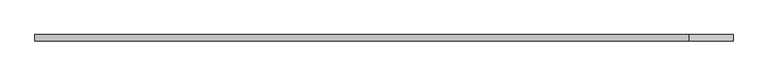
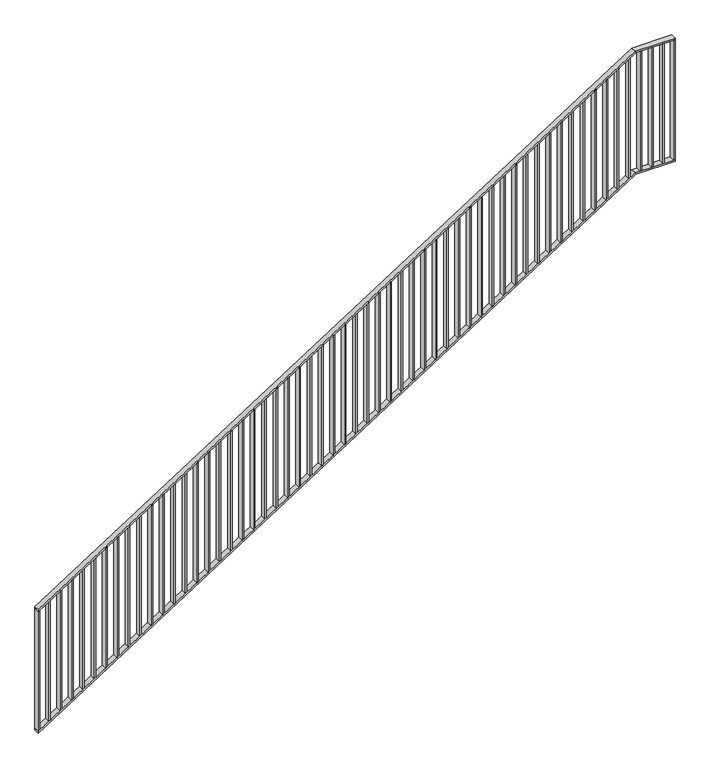
"""IFC4 building model written with IfcOpenShell, lengths in millimetres: railing geometry."""

from ifc_helpers import new_model, si_unit, frame, origin, place, context, project, spatial, polyline, outline, extrude, faceted_brep, source, transform, mapped, element, save


def railing_0b840fa6(model_context):
    return source(origin(), model_context, "Body", "SolidModel", [
        faceted_brep([(50020.0, -14.6, 1178.125), (50020.0, 25.4, 1178.125), (50020.0, 25.4, 1166.2576574), (50020.0, -14.6, 1166.2576574), (54201.25, -14.6, 3850.0), (54201.25, 25.4, 3850.0), (54204.1722273, 25.4, 3840.0), (54204.1722273, -14.6, 3840.0), (54480.0, -14.6, 3850.0), (54480.0, -14.6, 3840.0), (54480.0, 25.4, 3840.0), (54480.0, 25.4, 3850.0)], [[[0, 1, 2, 3]], [[1, 0, 4, 5]], [[2, 1, 5, 6]], [[3, 2, 6, 7]], [[0, 3, 7, 4]], [[8, 9, 10, 11]], [[5, 4, 8, 11]], [[6, 5, 11, 10]], [[7, 6, 10, 9]], [[4, 7, 9, 8]]]),
        faceted_brep([(50020.0, -14.6, 278.125), (50020.0, 25.4, 278.125), (50020.0, 25.4, 266.2576574), (50020.0, -14.6, 266.2576574), (54201.25, -14.6, 2950.0), (54201.25, 25.4, 2950.0), (54204.1722273, 25.4, 2940.0), (54204.1722273, -14.6, 2940.0), (54480.0, -14.6, 2950.0), (54480.0, -14.6, 2940.0), (54480.0, 25.4, 2940.0), (54480.0, 25.4, 2950.0)], [[[0, 1, 2, 3]], [[1, 0, 4, 5]], [[2, 1, 5, 6]], [[3, 2, 6, 7]], [[0, 3, 7, 4]], [[8, 9, 10, 11]], [[5, 4, 8, 11]], [[6, 5, 11, 10]], [[7, 6, 10, 9]], [[4, 7, 9, 8]]]),
        extrude(outline(polyline([(54395.3571429, -14.6), (54395.3571429, 25.4), (54405.3571429, 25.4), (54405.3571429, -14.6), (54395.3571429, -14.6)])), frame((0.0, 0.0, 2950.0), z_axis=(0.0, 0.0, 1.0), x_axis=(1.0, 0.0, 0.0)), (0.0, 0.0, 1.0), 890.0),
        extrude(outline(polyline([(54315.7142857, -14.6), (54315.7142857, 25.4), (54325.7142857, 25.4), (54325.7142857, -14.6), (54315.7142857, -14.6)])), frame((0.0, 0.0, 2950.0), z_axis=(0.0, 0.0, 1.0), x_axis=(1.0, 0.0, 0.0)), (0.0, 0.0, 1.0), 890.0),
        extrude(outline(polyline([(54236.0714286, -14.6), (54236.0714286, 25.4), (54246.0714286, 25.4), (54246.0714286, -14.6), (54236.0714286, -14.6)])), frame((0.0, 0.0, 2950.0), z_axis=(0.0, 0.0, 1.0), x_axis=(1.0, 0.0, 0.0)), (0.0, 0.0, 1.0), 890.0),
        extrude(outline(polyline([(3811.3585042, 54156.4285714), (2921.3585042, 54156.4285714), (2927.7486387, 54166.4285714), (3817.7486387, 54166.4285714), (3811.3585042, 54156.4285714)])), frame((0.0, -14.6, 0.0), z_axis=(0.0, 1.0, 0.0), x_axis=(0.0, 0.0, 1.0)), (0.0, 0.0, 1.0), 40.0),
        extrude(outline(polyline([(3760.465647, 54076.7857143), (2870.465647, 54076.7857143), (2876.8557816, 54086.7857143), (3766.8557816, 54086.7857143), (3760.465647, 54076.7857143)])), frame((0.0, -14.6, 0.0), z_axis=(0.0, 1.0, 0.0), x_axis=(0.0, 0.0, 1.0)), (0.0, 0.0, 1.0), 40.0),
        extrude(outline(polyline([(3709.5727899, 53997.1428571), (2819.5727899, 53997.1428571), (2825.9629244, 54007.1428571), (3715.9629244, 54007.1428571), (3709.5727899, 53997.1428571)])), frame((0.0, -14.6, 0.0), z_axis=(0.0, 1.0, 0.0), x_axis=(0.0, 0.0, 1.0)), (0.0, 0.0, 1.0), 40.0),
        extrude(outline(polyline([(3658.6799327, 53917.5), (2768.6799327, 53917.5), (2775.0700673, 53927.5), (3665.0700673, 53927.5), (3658.6799327, 53917.5)])), frame((0.0, -14.6, 0.0), z_axis=(0.0, 1.0, 0.0), x_axis=(0.0, 0.0, 1.0)), (0.0, 0.0, 1.0), 40.0),
        extrude(outline(polyline([(3607.7870756, 53837.8571429), (2717.7870756, 53837.8571429), (2724.1772101, 53847.8571429), (3614.1772101, 53847.8571429), (3607.7870756, 53837.8571429)])), frame((0.0, -14.6, 0.0), z_axis=(0.0, 1.0, 0.0), x_axis=(0.0, 0.0, 1.0)), (0.0, 0.0, 1.0), 40.0),
        extrude(outline(polyline([(3556.8942184, 53758.2142857), (2666.8942184, 53758.2142857), (2673.284353, 53768.2142857), (3563.284353, 53768.2142857), (3556.8942184, 53758.2142857)])), frame((0.0, -14.6, 0.0), z_axis=(0.0, 1.0, 0.0), x_axis=(0.0, 0.0, 1.0)), (0.0, 0.0, 1.0), 40.0),
        extrude(outline(polyline([(3506.0013613, 53678.5714286), (2616.0013613, 53678.5714286), (2622.3914958, 53688.5714286), (3512.3914958, 53688.5714286), (3506.0013613, 53678.5714286)])), frame((0.0, -14.6, 0.0), z_axis=(0.0, 1.0, 0.0), x_axis=(0.0, 0.0, 1.0)), (0.0, 0.0, 1.0), 40.0),
        extrude(outline(polyline([(3455.1085042, 53598.9285714), (2565.1085042, 53598.9285714), (2571.4986387, 53608.9285714), (3461.4986387, 53608.9285714), (3455.1085042, 53598.9285714)])), frame((0.0, -14.6, 0.0), z_axis=(0.0, 1.0, 0.0), x_axis=(0.0, 0.0, 1.0)), (0.0, 0.0, 1.0), 40.0),
        extrude(outline(polyline([(3404.215647, 53519.2857143), (2514.215647, 53519.2857143), (2520.6057816, 53529.2857143), (3410.6057816, 53529.2857143), (3404.215647, 53519.2857143)])), frame((0.0, -14.6, 0.0), z_axis=(0.0, 1.0, 0.0), x_axis=(0.0, 0.0, 1.0)), (0.0, 0.0, 1.0), 40.0),
        extrude(outline(polyline([(3353.3227899, 53439.6428571), (2463.3227899, 53439.6428571), (2469.7129244, 53449.6428571), (3359.7129244, 53449.6428571), (3353.3227899, 53439.6428571)])), frame((0.0, -14.6, 0.0), z_axis=(0.0, 1.0, 0.0), x_axis=(0.0, 0.0, 1.0)), (0.0, 0.0, 1.0), 40.0),
        extrude(outline(polyline([(3302.4299327, 53360.0), (2412.4299327, 53360.0), (2418.8200673, 53370.0), (3308.8200673, 53370.0), (3302.4299327, 53360.0)])), frame((0.0, -14.6, 0.0), z_axis=(0.0, 1.0, 0.0), x_axis=(0.0, 0.0, 1.0)), (0.0, 0.0, 1.0), 40.0),
        extrude(outline(polyline([(3251.5370756, 53280.3571429), (2361.5370756, 53280.3571429), (2367.9272101, 53290.3571429), (3257.9272101, 53290.3571429), (3251.5370756, 53280.3571429)])), frame((0.0, -14.6, 0.0), z_axis=(0.0, 1.0, 0.0), x_axis=(0.0, 0.0, 1.0)), (0.0, 0.0, 1.0), 40.0),
        extrude(outline(polyline([(3200.6442184, 53200.7142857), (2310.6442184, 53200.7142857), (2317.034353, 53210.7142857), (3207.034353, 53210.7142857), (3200.6442184, 53200.7142857)])), frame((0.0, -14.6, 0.0), z_axis=(0.0, 1.0, 0.0), x_axis=(0.0, 0.0, 1.0)), (0.0, 0.0, 1.0), 40.0),
        extrude(outline(polyline([(3149.7513613, 53121.0714286), (2259.7513613, 53121.0714286), (2266.1414958, 53131.0714286), (3156.1414958, 53131.0714286), (3149.7513613, 53121.0714286)])), frame((0.0, -14.6, 0.0), z_axis=(0.0, 1.0, 0.0), x_axis=(0.0, 0.0, 1.0)), (0.0, 0.0, 1.0), 40.0),
        extrude(outline(polyline([(3098.8585042, 53041.4285714), (2208.8585042, 53041.4285714), (2215.2486387, 53051.4285714), (3105.2486387, 53051.4285714), (3098.8585042, 53041.4285714)])), frame((0.0, -14.6, 0.0), z_axis=(0.0, 1.0, 0.0), x_axis=(0.0, 0.0, 1.0)), (0.0, 0.0, 1.0), 40.0),
        extrude(outline(polyline([(3047.965647, 52961.7857143), (2157.965647, 52961.7857143), (2164.3557816, 52971.7857143), (3054.3557816, 52971.7857143), (3047.965647, 52961.7857143)])), frame((0.0, -14.6, 0.0), z_axis=(0.0, 1.0, 0.0), x_axis=(0.0, 0.0, 1.0)), (0.0, 0.0, 1.0), 40.0),
        extrude(outline(polyline([(2997.0727899, 52882.1428571), (2107.0727899, 52882.1428571), (2113.4629244, 52892.1428571), (3003.4629244, 52892.1428571), (2997.0727899, 52882.1428571)])), frame((0.0, -14.6, 0.0), z_axis=(0.0, 1.0, 0.0), x_axis=(0.0, 0.0, 1.0)), (0.0, 0.0, 1.0), 40.0),
        extrude(outline(polyline([(2946.1799327, 52802.5), (2056.1799327, 52802.5), (2062.5700673, 52812.5), (2952.5700673, 52812.5), (2946.1799327, 52802.5)])), frame((0.0, -14.6, 0.0), z_axis=(0.0, 1.0, 0.0), x_axis=(0.0, 0.0, 1.0)), (0.0, 0.0, 1.0), 40.0),
        extrude(outline(polyline([(2895.2870756, 52722.8571429), (2005.2870756, 52722.8571429), (2011.6772101, 52732.8571429), (2901.6772101, 52732.8571429), (2895.2870756, 52722.8571429)])), frame((0.0, -14.6, 0.0), z_axis=(0.0, 1.0, 0.0), x_axis=(0.0, 0.0, 1.0)), (0.0, 0.0, 1.0), 40.0),
        extrude(outline(polyline([(2844.3942184, 52643.2142857), (1954.3942184, 52643.2142857), (1960.784353, 52653.2142857), (2850.784353, 52653.2142857), (2844.3942184, 52643.2142857)])), frame((0.0, -14.6, 0.0), z_axis=(0.0, 1.0, 0.0), x_axis=(0.0, 0.0, 1.0)), (0.0, 0.0, 1.0), 40.0),
        extrude(outline(polyline([(2793.5013613, 52563.5714286), (1903.5013613, 52563.5714286), (1909.8914958, 52573.5714286), (2799.8914958, 52573.5714286), (2793.5013613, 52563.5714286)])), frame((0.0, -14.6, 0.0), z_axis=(0.0, 1.0, 0.0), x_axis=(0.0, 0.0, 1.0)), (0.0, 0.0, 1.0), 40.0),
        extrude(outline(polyline([(2742.6085042, 52483.9285714), (1852.6085042, 52483.9285714), (1858.9986387, 52493.9285714), (2748.9986387, 52493.9285714), (2742.6085042, 52483.9285714)])), frame((0.0, -14.6, 0.0), z_axis=(0.0, 1.0, 0.0), x_axis=(0.0, 0.0, 1.0)), (0.0, 0.0, 1.0), 40.0),
        extrude(outline(polyline([(2691.715647, 52404.2857143), (1801.715647, 52404.2857143), (1808.1057816, 52414.2857143), (2698.1057816, 52414.2857143), (2691.715647, 52404.2857143)])), frame((0.0, -14.6, 0.0), z_axis=(0.0, 1.0, 0.0), x_axis=(0.0, 0.0, 1.0)), (0.0, 0.0, 1.0), 40.0),
        extrude(outline(polyline([(2640.8227899, 52324.6428571), (1750.8227899, 52324.6428571), (1757.2129244, 52334.6428571), (2647.2129244, 52334.6428571), (2640.8227899, 52324.6428571)])), frame((0.0, -14.6, 0.0), z_axis=(0.0, 1.0, 0.0), x_axis=(0.0, 0.0, 1.0)), (0.0, 0.0, 1.0), 40.0),
        extrude(outline(polyline([(2589.9299327, 52245.0), (1699.9299327, 52245.0), (1706.3200673, 52255.0), (2596.3200673, 52255.0), (2589.9299327, 52245.0)])), frame((0.0, -14.6, 0.0), z_axis=(0.0, 1.0, 0.0), x_axis=(0.0, 0.0, 1.0)), (0.0, 0.0, 1.0), 40.0),
        extrude(outline(polyline([(2539.0370756, 52165.3571429), (1649.0370756, 52165.3571429), (1655.4272101, 52175.3571429), (2545.4272101, 52175.3571429), (2539.0370756, 52165.3571429)])), frame((0.0, -14.6, 0.0), z_axis=(0.0, 1.0, 0.0), x_axis=(0.0, 0.0, 1.0)), (0.0, 0.0, 1.0), 40.0),
        extrude(outline(polyline([(2488.1442184, 52085.7142857), (1598.1442184, 52085.7142857), (1604.534353, 52095.7142857), (2494.534353, 52095.7142857), (2488.1442184, 52085.7142857)])), frame((0.0, -14.6, 0.0), z_axis=(0.0, 1.0, 0.0), x_axis=(0.0, 0.0, 1.0)), (0.0, 0.0, 1.0), 40.0),
        extrude(outline(polyline([(2437.2513613, 52006.0714286), (1547.2513613, 52006.0714286), (1553.6414958, 52016.0714286), (2443.6414958, 52016.0714286), (2437.2513613, 52006.0714286)])), frame((0.0, -14.6, 0.0), z_axis=(0.0, 1.0, 0.0), x_axis=(0.0, 0.0, 1.0)), (0.0, 0.0, 1.0), 40.0),
        extrude(outline(polyline([(2386.3585042, 51926.4285714), (1496.3585042, 51926.4285714), (1502.7486387, 51936.4285714), (2392.7486387, 51936.4285714), (2386.3585042, 51926.4285714)])), frame((0.0, -14.6, 0.0), z_axis=(0.0, 1.0, 0.0), x_axis=(0.0, 0.0, 1.0)), (0.0, 0.0, 1.0), 40.0),
        extrude(outline(polyline([(2335.465647, 51846.7857143), (1445.465647, 51846.7857143), (1451.8557816, 51856.7857143), (2341.8557816, 51856.7857143), (2335.465647, 51846.7857143)])), frame((0.0, -14.6, 0.0), z_axis=(0.0, 1.0, 0.0), x_axis=(0.0, 0.0, 1.0)), (0.0, 0.0, 1.0), 40.0),
        extrude(outline(polyline([(2284.5727899, 51767.1428571), (1394.5727899, 51767.1428571), (1400.9629244, 51777.1428571), (2290.9629244, 51777.1428571), (2284.5727899, 51767.1428571)])), frame((0.0, -14.6, 0.0), z_axis=(0.0, 1.0, 0.0), x_axis=(0.0, 0.0, 1.0)), (0.0, 0.0, 1.0), 40.0),
        extrude(outline(polyline([(2233.6799327, 51687.5), (1343.6799327, 51687.5), (1350.0700673, 51697.5), (2240.0700673, 51697.5), (2233.6799327, 51687.5)])), frame((0.0, -14.6, 0.0), z_axis=(0.0, 1.0, 0.0), x_axis=(0.0, 0.0, 1.0)), (0.0, 0.0, 1.0), 40.0),
        extrude(outline(polyline([(2182.7870756, 51607.8571429), (1292.7870756, 51607.8571429), (1299.1772101, 51617.8571429), (2189.1772101, 51617.8571429), (2182.7870756, 51607.8571429)])), frame((0.0, -14.6, 0.0), z_axis=(0.0, 1.0, 0.0), x_axis=(0.0, 0.0, 1.0)), (0.0, 0.0, 1.0), 40.0),
        extrude(outline(polyline([(2131.8942184, 51528.2142857), (1241.8942184, 51528.2142857), (1248.284353, 51538.2142857), (2138.284353, 51538.2142857), (2131.8942184, 51528.2142857)])), frame((0.0, -14.6, 0.0), z_axis=(0.0, 1.0, 0.0), x_axis=(0.0, 0.0, 1.0)), (0.0, 0.0, 1.0), 40.0),
        extrude(outline(polyline([(2081.0013613, 51448.5714286), (1191.0013613, 51448.5714286), (1197.3914958, 51458.5714286), (2087.3914958, 51458.5714286), (2081.0013613, 51448.5714286)])), frame((0.0, -14.6, 0.0), z_axis=(0.0, 1.0, 0.0), x_axis=(0.0, 0.0, 1.0)), (0.0, 0.0, 1.0), 40.0),
        extrude(outline(polyline([(2030.1085042, 51368.9285714), (1140.1085042, 51368.9285714), (1146.4986387, 51378.9285714), (2036.4986387, 51378.9285714), (2030.1085042, 51368.9285714)])), frame((0.0, -14.6, 0.0), z_axis=(0.0, 1.0, 0.0), x_axis=(0.0, 0.0, 1.0)), (0.0, 0.0, 1.0), 40.0),
        extrude(outline(polyline([(1979.215647, 51289.2857143), (1089.215647, 51289.2857143), (1095.6057816, 51299.2857143), (1985.6057816, 51299.2857143), (1979.215647, 51289.2857143)])), frame((0.0, -14.6, 0.0), z_axis=(0.0, 1.0, 0.0), x_axis=(0.0, 0.0, 1.0)), (0.0, 0.0, 1.0), 40.0),
        extrude(outline(polyline([(1928.3227899, 51209.6428571), (1038.3227899, 51209.6428571), (1044.7129244, 51219.6428571), (1934.7129244, 51219.6428571), (1928.3227899, 51209.6428571)])), frame((0.0, -14.6, 0.0), z_axis=(0.0, 1.0, 0.0), x_axis=(0.0, 0.0, 1.0)), (0.0, 0.0, 1.0), 40.0),
        extrude(outline(polyline([(1877.4299327, 51130.0), (987.4299327, 51130.0), (993.8200673, 51140.0), (1883.8200673, 51140.0), (1877.4299327, 51130.0)])), frame((0.0, -14.6, 0.0), z_axis=(0.0, 1.0, 0.0), x_axis=(0.0, 0.0, 1.0)), (0.0, 0.0, 1.0), 40.0),
        extrude(outline(polyline([(1826.5370756, 51050.3571429), (936.5370756, 51050.3571429), (942.9272101, 51060.3571429), (1832.9272101, 51060.3571429), (1826.5370756, 51050.3571429)])), frame((0.0, -14.6, 0.0), z_axis=(0.0, 1.0, 0.0), x_axis=(0.0, 0.0, 1.0)), (0.0, 0.0, 1.0), 40.0),
        extrude(outline(polyline([(1775.6442184, 50970.7142857), (885.6442184, 50970.7142857), (892.034353, 50980.7142857), (1782.034353, 50980.7142857), (1775.6442184, 50970.7142857)])), frame((0.0, -14.6, 0.0), z_axis=(0.0, 1.0, 0.0), x_axis=(0.0, 0.0, 1.0)), (0.0, 0.0, 1.0), 40.0),
        extrude(outline(polyline([(1724.7513613, 50891.0714286), (834.7513613, 50891.0714286), (841.1414958, 50901.0714286), (1731.1414958, 50901.0714286), (1724.7513613, 50891.0714286)])), frame((0.0, -14.6, 0.0), z_axis=(0.0, 1.0, 0.0), x_axis=(0.0, 0.0, 1.0)), (0.0, 0.0, 1.0), 40.0),
        extrude(outline(polyline([(1673.8585042, 50811.4285714), (783.8585042, 50811.4285714), (790.2486387, 50821.4285714), (1680.2486387, 50821.4285714), (1673.8585042, 50811.4285714)])), frame((0.0, -14.6, 0.0), z_axis=(0.0, 1.0, 0.0), x_axis=(0.0, 0.0, 1.0)), (0.0, 0.0, 1.0), 40.0),
        extrude(outline(polyline([(1622.965647, 50731.7857143), (732.965647, 50731.7857143), (739.3557816, 50741.7857143), (1629.3557816, 50741.7857143), (1622.965647, 50731.7857143)])), frame((0.0, -14.6, 0.0), z_axis=(0.0, 1.0, 0.0), x_axis=(0.0, 0.0, 1.0)), (0.0, 0.0, 1.0), 40.0),
        extrude(outline(polyline([(1572.0727899, 50652.1428571), (682.0727899, 50652.1428571), (688.4629244, 50662.1428571), (1578.4629244, 50662.1428571), (1572.0727899, 50652.1428571)])), frame((0.0, -14.6, 0.0), z_axis=(0.0, 1.0, 0.0), x_axis=(0.0, 0.0, 1.0)), (0.0, 0.0, 1.0), 40.0),
        extrude(outline(polyline([(1521.1799327, 50572.5), (631.1799327, 50572.5), (637.5700673, 50582.5), (1527.5700673, 50582.5), (1521.1799327, 50572.5)])), frame((0.0, -14.6, 0.0), z_axis=(0.0, 1.0, 0.0), x_axis=(0.0, 0.0, 1.0)), (0.0, 0.0, 1.0), 40.0),
        extrude(outline(polyline([(1470.2870756, 50492.8571429), (580.2870756, 50492.8571429), (586.6772101, 50502.8571429), (1476.6772101, 50502.8571429), (1470.2870756, 50492.8571429)])), frame((0.0, -14.6, 0.0), z_axis=(0.0, 1.0, 0.0), x_axis=(0.0, 0.0, 1.0)), (0.0, 0.0, 1.0), 40.0),
        extrude(outline(polyline([(1419.3942184, 50413.2142857), (529.3942184, 50413.2142857), (535.784353, 50423.2142857), (1425.784353, 50423.2142857), (1419.3942184, 50413.2142857)])), frame((0.0, -14.6, 0.0), z_axis=(0.0, 1.0, 0.0), x_axis=(0.0, 0.0, 1.0)), (0.0, 0.0, 1.0), 40.0),
        extrude(outline(polyline([(1368.5013613, 50333.5714286), (478.5013613, 50333.5714286), (484.8914958, 50343.5714286), (1374.8914958, 50343.5714286), (1368.5013613, 50333.5714286)])), frame((0.0, -14.6, 0.0), z_axis=(0.0, 1.0, 0.0), x_axis=(0.0, 0.0, 1.0)), (0.0, 0.0, 1.0), 40.0),
        extrude(outline(polyline([(1317.6085042, 50253.9285714), (427.6085042, 50253.9285714), (433.9986387, 50263.9285714), (1323.9986387, 50263.9285714), (1317.6085042, 50253.9285714)])), frame((0.0, -14.6, 0.0), z_axis=(0.0, 1.0, 0.0), x_axis=(0.0, 0.0, 1.0)), (0.0, 0.0, 1.0), 40.0),
        extrude(outline(polyline([(1266.715647, 50174.2857143), (376.715647, 50174.2857143), (383.1057816, 50184.2857143), (1273.1057816, 50184.2857143), (1266.715647, 50174.2857143)])), frame((0.0, -14.6, 0.0), z_axis=(0.0, 1.0, 0.0), x_axis=(0.0, 0.0, 1.0)), (0.0, 0.0, 1.0), 40.0),
        extrude(outline(polyline([(1215.8227899, 50094.6428571), (325.8227899, 50094.6428571), (332.2129244, 50104.6428571), (1222.2129244, 50104.6428571), (1215.8227899, 50094.6428571)])), frame((0.0, -14.6, 0.0), z_axis=(0.0, 1.0, 0.0), x_axis=(0.0, 0.0, 1.0)), (0.0, 0.0, 1.0), 40.0),
        extrude(outline(polyline([(54470.0, -14.6), (54470.0, 25.4), (54480.0, 25.4), (54480.0, -14.6), (54470.0, -14.6)])), frame((0.0, 0.0, 2950.0), z_axis=(0.0, 0.0, 1.0), x_axis=(1.0, 0.0, 0.0)), (0.0, 0.0, 1.0), 890.0),
        extrude(outline(polyline([(1168.125, 50020.0), (278.125, 50020.0), (284.5151345, 50030.0), (1174.5151345, 50030.0), (1168.125, 50020.0)])), frame((0.0, -14.6, 0.0), z_axis=(0.0, 1.0, 0.0), x_axis=(0.0, 0.0, 1.0)), (0.0, 0.0, 1.0), 40.0),
    ])


if __name__ == "__main__":
    model = new_model("IFC4")
    model_context = context("Model", 3, world=origin())
    ifc_project = project(units=[si_unit("LENGTHUNIT", "METRE", prefix="MILLI")], contexts=[model_context])
    site = spatial("IfcSite", under=ifc_project)
    building = spatial("IfcBuilding", under=site)
    placement = place(None, origin())
    railing_shape = railing_0b840fa6(model_context)
    element("IfcRailing", 1, at=placement, inside=building, context=model_context, shape_type="MappedRepresentation", body=[
        mapped(railing_shape, transform((0.0, 0.0, 0.0), x_axis=(1.0, 0.0, 0.0), y_axis=(0.0, 1.0, 0.0), z_axis=(0.0, 0.0, 1.0))),
    ])
    save(model, "model.ifc")
